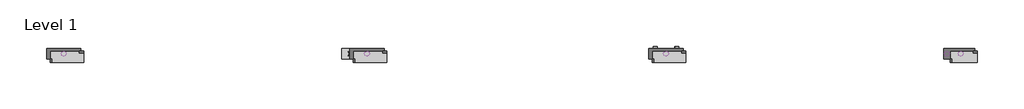
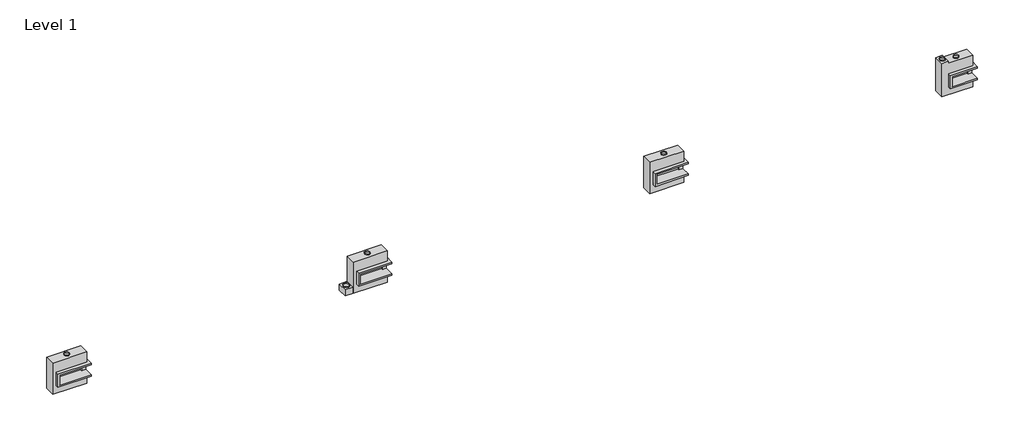
# One storey: 14 proxies.
"""IFC4 building model written with IfcOpenShell, lengths in millimetres."""

import ifcopenshell
import ifcopenshell.guid

model = None  # the IFC model being written
_history = None  # IfcOwnerHistory: only IFC2X3 demands one
_inside = {}  # id of a spatial element -> (the spatial element, [elements in it])
_under = {}  # id of a project, library or spatial element -> (it, [spatial elements below it])
_declared = {}  # id of a project -> (the project, [libraries it declares])
_typed = {}  # id of a type object -> (the type object, [elements of that type])
_made_of = {}  # id of a material, layer set ... -> (it, [elements and type objects made of it])


def new_model(schema):
    """Start an empty IFC model of exactly this schema.

    Asked for "IFC4X3", IfcOpenShell would pick the latest addendum, in which some entities
    have other attributes; the version numbers below select the first issue.
    IFC2X3 requires an IfcOwnerHistory on every rooted entity: one is made here for all.
    """
    global model, _history
    if schema == "IFC4X3":
        model = ifcopenshell.file(schema_version=(4, 3, 0, 0))
    else:
        model = ifcopenshell.file(schema=schema)
    _inside.clear()
    _under.clear()
    _declared.clear()
    _typed.clear()
    _made_of.clear()
    _history = None
    if model.schema == "IFC2X3":
        org = make("IfcOrganization", Name="unknown")
        user = make(
            "IfcPersonAndOrganization",
            ThePerson=make("IfcPerson", FamilyName="unknown"),
            TheOrganization=org,
        )
        app = make(
            "IfcApplication",
            ApplicationDeveloper=org,
            Version="unknown",
            ApplicationFullName="unknown",
            ApplicationIdentifier="unknown",
        )
        _history = make(
            "IfcOwnerHistory",
            OwningUser=user,
            OwningApplication=app,
            ChangeAction="ADDED",
            CreationDate=0,
        )
    return model


def make(cls, **values):
    """One entity of the class cls with the attributes given. An attribute that is None is left unset."""
    return model.create_entity(
        cls, **{name: value for name, value in values.items() if value is not None}
    )


def rooted(cls, **values):
    """An entity with a GlobalId (a new one), such as an element, a storey or a relation."""
    return make(cls, GlobalId=ifcopenshell.guid.new(), OwnerHistory=_history, **values)


def si_unit(unit_type, name, prefix=None):
    """IfcSIUnit, for example si_unit("LENGTHUNIT", "METRE", prefix="MILLI")."""
    return make("IfcSIUnit", UnitType=unit_type, Prefix=prefix, Name=name)


def assignment(units):
    """IfcUnitAssignment: the units of a project."""
    return None if units is None else make("IfcUnitAssignment", Units=units)


def point(xyz):
    """IfcCartesianPoint."""
    return None if xyz is None else make("IfcCartesianPoint", Coordinates=xyz)


def direction(xyz):
    """IfcDirection."""
    return None if xyz is None else make("IfcDirection", DirectionRatios=xyz)


def frame(location, z_axis=None, x_axis=None):
    """IfcAxis2Placement3D, a coordinate frame: its origin and axes. An axis left out is left unset."""
    return make(
        "IfcAxis2Placement3D",
        Location=point(location),
        Axis=direction(z_axis),
        RefDirection=direction(x_axis),
    )


def frame_2d(location, x_axis=None):
    """IfcAxis2Placement2D, a coordinate frame in the plane: its origin and x axis."""
    return make(
        "IfcAxis2Placement2D", Location=point(location), RefDirection=direction(x_axis)
    )


def origin():
    """The frame at (0, 0, 0) with its axes left unset."""
    return frame((0.0, 0.0, 0.0))


def origin_with_axes():
    """The frame at (0, 0, 0) with the z axis (0, 0, 1) and the x axis (1, 0, 0) written out."""
    return frame((0.0, 0.0, 0.0), z_axis=(0.0, 0.0, 1.0), x_axis=(1.0, 0.0, 0.0))


def origin_2d():
    """The frame at (0, 0) in the plane with its x axis left unset."""
    return frame_2d((0.0, 0.0))


def place(relative_to, where):
    """IfcLocalPlacement: puts the frame where relative to a parent placement (None: the world)."""
    return make(
        "IfcLocalPlacement", PlacementRelTo=relative_to, RelativePlacement=where
    )


def context(
    kind, dimensions, precision=None, world=None, true_north=None, identifier=None
):
    """IfcGeometricRepresentationContext, for example the 3D "Model" context."""
    return make(
        "IfcGeometricRepresentationContext",
        ContextIdentifier=identifier,
        ContextType=kind,
        CoordinateSpaceDimension=dimensions,
        Precision=precision,
        WorldCoordinateSystem=world,
        TrueNorth=true_north,
    )


def project(units=None, contexts=None):
    """IfcProject with its units and contexts."""
    return rooted(
        "IfcProject",
        Name="project",
        RepresentationContexts=contexts,
        UnitsInContext=assignment(units),
    )


def spatial(cls, under=None, at=None, **own):
    """A site, building, storey or space (cls), placed at a placement, below another one or the project."""
    s = rooted(cls, ObjectPlacement=at, **own)
    if under is not None:
        _under.setdefault(under.id(), (under, []))[1].append(s)
    return s


def polyline(points):
    """IfcPolyline through the points."""
    return make("IfcPolyline", Points=[point(p) for p in points])


def circle_curve(where, radius):
    """IfcCircle in the frame where."""
    return make("IfcCircle", Position=where, Radius=radius)


def trimmed(basis, trim1, trim2, sense, master):
    """IfcTrimmedCurve: the piece of a basis curve between two trims."""
    return make(
        "IfcTrimmedCurve",
        BasisCurve=basis,
        Trim1=trim1,
        Trim2=trim2,
        SenseAgreement=sense,
        MasterRepresentation=master,
    )


def segment(curve, same_sense, transition):
    """IfcCompositeCurveSegment."""
    return make(
        "IfcCompositeCurveSegment",
        Transition=transition,
        SameSense=same_sense,
        ParentCurve=curve,
    )


def composite_curve(segments, self_intersect=None):
    """IfcCompositeCurve: segments joined end to end."""
    return make("IfcCompositeCurve", Segments=segments, SelfIntersect=self_intersect)


def outline(outer, holes=None, kind="AREA"):
    """IfcArbitraryClosedProfileDef: a profile drawn as a closed curve; with holes, ...WithVoids."""
    if holes is None:
        return make("IfcArbitraryClosedProfileDef", ProfileType=kind, OuterCurve=outer)
    return make(
        "IfcArbitraryProfileDefWithVoids",
        ProfileType=kind,
        OuterCurve=outer,
        InnerCurves=holes,
    )


def extrude(swept, where, along, depth):
    """IfcExtrudedAreaSolid: the profile swept, set in the frame where, extruded along a direction by depth."""
    return make(
        "IfcExtrudedAreaSolid",
        SweptArea=swept,
        Position=where,
        ExtrudedDirection=direction(along),
        Depth=depth,
    )


def faces_of(points, faces, orient=None, outer=None):
    """IfcFace entities. A face is a list of loops; a loop is a list of indices into points, from 0.

    orient and outer hold one flag for each loop. By default every Orientation is true, the
    first loop of a face is its IfcFaceOuterBound and the others are IfcFaceBound.
    """
    made = []
    for i, loops in enumerate(faces):
        bounds = []
        for j, loop in enumerate(loops):
            is_outer = j == 0 if outer is None else outer[i][j]
            bounds.append(
                make(
                    "IfcFaceOuterBound" if is_outer else "IfcFaceBound",
                    Bound=make("IfcPolyLoop", Polygon=[points[k] for k in loop]),
                    Orientation=True if orient is None else orient[i][j],
                )
            )
        made.append(make("IfcFace", Bounds=bounds))
    return made


def faceted_brep(points, faces, orient=None, outer=None, voids=None):
    """IfcFacetedBrep: a solid bounded by flat faces; with voids (closed shells), ...WithVoids."""
    shared = [point(p) for p in points]
    hull = make("IfcClosedShell", CfsFaces=faces_of(shared, faces, orient, outer))
    if voids is None:
        return make("IfcFacetedBrep", Outer=hull)
    return make(
        "IfcFacetedBrepWithVoids",
        Outer=hull,
        Voids=[
            make(cls, CfsFaces=faces_of(shared, fs, o, b)) for cls, fs, o, b in voids
        ],
    )


def shape(context_of_items, identifier, shape_type, items):
    """IfcShapeRepresentation: the items that make up one representation, for example the "Body"."""
    return make(
        "IfcShapeRepresentation",
        ContextOfItems=context_of_items,
        RepresentationIdentifier=identifier,
        RepresentationType=shape_type,
        Items=items,
    )


def source(mapping_origin, context_of_items, identifier, shape_type, items):
    """IfcRepresentationMap: a shape defined once, which mapped items show again and again."""
    return make(
        "IfcRepresentationMap",
        MappingOrigin=mapping_origin,
        MappedRepresentation=shape(context_of_items, identifier, shape_type, items),
    )


def transform(
    local_origin,
    x_axis=None,
    y_axis=None,
    z_axis=None,
    scale=None,
    scale2=None,
    scale3=None,
    uniform=True,
):
    """IfcCartesianTransformationOperator3D, or its non-uniform kind. x_axis, y_axis, z_axis: its Axis1, 2, 3."""
    if uniform:
        return make(
            "IfcCartesianTransformationOperator3D",
            Axis1=direction(x_axis),
            Axis2=direction(y_axis),
            LocalOrigin=point(local_origin),
            Scale=scale,
            Axis3=direction(z_axis),
        )
    return make(
        "IfcCartesianTransformationOperator3DnonUniform",
        Axis1=direction(x_axis),
        Axis2=direction(y_axis),
        LocalOrigin=point(local_origin),
        Scale=scale,
        Axis3=direction(z_axis),
        Scale2=scale2,
        Scale3=scale3,
    )


def mapped(mapping_source, mapping_target):
    """IfcMappedItem: shows the shape of a source again, moved by a transform."""
    return make(
        "IfcMappedItem", MappingSource=mapping_source, MappingTarget=mapping_target
    )


def made_of(thing, what):
    """Note that an element or type object is made of a material, layer set ...; save() writes the relation."""
    if what is not None:
        _made_of.setdefault(what.id(), (what, []))[1].append(thing)
    return thing


def element(
    cls,
    number,
    at=None,
    inside=None,
    cuts=None,
    type_object=None,
    material=None,
    context=None,
    identifier="Body",
    shape_type=None,
    held_by="IfcProductDefinitionShape",
    body=None,
    shapes=None,
    **own,
):
    """One element of the class cls, such as IfcWall. Its Tag is "e" and its number.

    at: its placement. inside: the storey or other place that contains it. cuts: it is an
    opening in that element (IfcRelVoidsElement). A single representation is given by context,
    identifier, shape_type and body (its items); several are given by shapes. held_by: the class
    of the entity that holds the representations. save() writes the other relations.
    """
    e = rooted(cls, Tag="e%d" % number, ObjectPlacement=at, **own)
    if body is not None:
        shapes = [shape(context, identifier, shape_type, body)]
    if shapes is not None:
        e.Representation = make(held_by, Representations=shapes)
    if inside is not None:
        _inside.setdefault(inside.id(), (inside, []))[1].append(e)
    if cuts is not None:
        rooted(
            "IfcRelVoidsElement", RelatingBuildingElement=cuts, RelatedOpeningElement=e
        )
    if type_object is not None:
        _typed.setdefault(type_object.id(), (type_object, []))[1].append(e)
    return made_of(e, material)


def aggregate(whole, parts):
    """IfcRelAggregates: a whole, such as a stair, and the parts it consists of."""
    return rooted("IfcRelAggregates", RelatingObject=whole, RelatedObjects=parts)


def save(model, path):
    """Write the relations noted so far, then the file.

    IfcRelAggregates (storeys below a building ...), IfcRelContainedInSpatialStructure (elements
    in a storey), IfcRelDefinesByType, IfcRelAssociatesMaterial and IfcRelDeclares: one each for
    every whole, place, type object, material and project.
    """
    for whole, parts in _under.values():
        aggregate(whole, parts)
    for where, things in _inside.values():
        rooted(
            "IfcRelContainedInSpatialStructure",
            RelatedElements=things,
            RelatingStructure=where,
        )
    for kind, things in _typed.values():
        rooted("IfcRelDefinesByType", RelatedObjects=things, RelatingType=kind)
    for what, things in _made_of.values():
        rooted("IfcRelAssociatesMaterial", RelatedObjects=things, RelatingMaterial=what)
    for by, libraries in _declared.values():
        rooted("IfcRelDeclares", RelatingContext=by, RelatedDefinitions=libraries)
    model.write(path)


def as_specified_6a4a1a2e(model_context):
    return source(origin(), model_context, "Body", "Brep", [
        faceted_brep([(-654.05, 273.05, 139.7), (-654.05, 273.05, -393.7), (-654.05, 196.85, -393.7), (-654.05, 196.85, -25.4), (-654.05, -311.15, -25.4), (-654.05, -311.15, -393.7), (-654.05, -387.35, -393.7), (-654.05, -387.35, 139.7), (946.15, 196.85, 139.7), (946.15, 196.85, -317.5), (946.15, -311.15, -317.5), (946.15, -311.15, 139.7), (946.15, -387.35, 139.7), (946.15, -387.35, -393.7), (946.15, 273.05, -393.7), (946.15, 273.05, 139.7), (-577.85, -311.15, 139.7), (-577.85, 196.85, 139.7), (742.95, -311.15, -393.7), (742.95, 196.85, -393.7), (742.95, -311.15, -317.5), (-577.85, -311.15, -25.4), (742.95, 196.85, -317.5), (-577.85, 196.85, -25.4)], [[[0, 1, 2, 3, 4, 5, 6, 7]], [[8, 9, 10, 11, 12, 13, 14, 15]], [[0, 7, 12, 11, 16, 17, 8, 15]], [[1, 0, 15, 14]], [[14, 13, 6, 5, 18, 19, 2, 1]], [[7, 6, 13, 12]], [[11, 10, 20, 18, 5, 4, 21, 16]], [[10, 9, 22, 20]], [[9, 8, 17, 23, 3, 2, 19, 22]], [[18, 20, 22, 19]], [[23, 21, 4, 3]], [[17, 16, 21, 23]]]),
        faceted_brep([(-819.15, 793.75, -523.9742188), (819.15, 793.75, -523.9742188), (819.15, -793.75, -523.9742188), (-819.15, -793.75, -523.9742188), (819.15, 793.75, -25.4), (-819.15, 793.75, -25.4), (-819.15, -793.75, -25.4), (819.15, -793.75, -25.4), (819.15, -387.35, -25.4), (-654.05, -387.35, -25.4), (-654.05, 273.05, -25.4), (819.15, 273.05, -25.4), (819.15, 273.05, -393.7), (819.15, -387.35, -393.7), (-654.05, -387.35, -393.7), (-654.05, 273.05, -393.7)], [[[0, 1, 2, 3]], [[4, 5, 6, 7, 8, 9, 10, 11]], [[1, 0, 5, 4]], [[5, 0, 3, 6]], [[1, 4, 11, 12, 13, 8, 7, 2]], [[3, 2, 7, 6]], [[14, 15, 10, 9]], [[10, 15, 12, 11]], [[15, 14, 13, 12]], [[14, 9, 8, 13]]]),
    ])


def as_specified_77cc6f73(model_context):
    return source(origin(), model_context, "Body", "SolidModel", [
        extrude(outline(polyline([(-819.15, -793.75), (-1200.15, -793.75), (-1200.15, -488.95), (-819.15, -488.95), (-819.15, -793.75)])), frame((0.0, 0.0, -523.9742188), z_axis=(0.0, 0.0, 1.0), x_axis=(1.0, 0.0, 0.0)), (0.0, 0.0, 1.0), 498.5742187),
        faceted_brep([(-654.05, 273.05, 139.7), (-654.05, 273.05, -393.7), (-654.05, 196.85, -393.7), (-654.05, 196.85, -25.4), (-654.05, -311.15, -25.4), (-654.05, -311.15, -393.7), (-654.05, -387.35, -393.7), (-654.05, -387.35, 139.7), (946.15, 196.85, 139.7), (946.15, 196.85, -317.5), (946.15, -311.15, -317.5), (946.15, -311.15, 139.7), (946.15, -387.35, 139.7), (946.15, -387.35, -393.7), (946.15, 273.05, -393.7), (946.15, 273.05, 139.7), (-577.85, -311.15, 139.7), (-577.85, 196.85, 139.7), (742.95, -311.15, -393.7), (742.95, 196.85, -393.7), (742.95, -311.15, -317.5), (-577.85, -311.15, -25.4), (742.95, 196.85, -317.5), (-577.85, 196.85, -25.4)], [[[0, 1, 2, 3, 4, 5, 6, 7]], [[8, 9, 10, 11, 12, 13, 14, 15]], [[0, 7, 12, 11, 16, 17, 8, 15]], [[1, 0, 15, 14]], [[14, 13, 6, 5, 18, 19, 2, 1]], [[7, 6, 13, 12]], [[11, 10, 20, 18, 5, 4, 21, 16]], [[10, 9, 22, 20]], [[9, 8, 17, 23, 3, 2, 19, 22]], [[18, 20, 22, 19]], [[23, 21, 4, 3]], [[17, 16, 21, 23]]]),
        faceted_brep([(-819.15, 793.75, -523.9742188), (819.15, 793.75, -523.9742188), (819.15, -793.75, -523.9742188), (-819.15, -793.75, -523.9742188), (819.15, 793.75, -25.4), (-819.15, 793.75, -25.4), (-819.15, -793.75, -25.4), (819.15, -793.75, -25.4), (819.15, -387.35, -25.4), (-654.05, -387.35, -25.4), (-654.05, 273.05, -25.4), (819.15, 273.05, -25.4), (819.15, 273.05, -393.7), (819.15, -387.35, -393.7), (-654.05, -387.35, -393.7), (-654.05, 273.05, -393.7)], [[[0, 1, 2, 3]], [[4, 5, 6, 7, 8, 9, 10, 11]], [[1, 0, 5, 4]], [[5, 0, 3, 6]], [[1, 4, 11, 12, 13, 8, 7, 2]], [[3, 2, 7, 6]], [[14, 15, 10, 9]], [[10, 15, 12, 11]], [[15, 14, 13, 12]], [[14, 9, 8, 13]]]),
    ])


def as_specified_fd5b2798(model_context):
    return source(origin(), model_context, "Body", "Brep", [
        faceted_brep([(-501.65, 273.05, 139.7), (-501.65, 273.05, -393.7), (-501.65, 196.85, -393.7), (-501.65, 196.85, -25.4), (-501.65, -311.15, -25.4), (-501.65, -311.15, -393.7), (-501.65, -387.35, -393.7), (-501.65, -387.35, 139.7), (793.75, 196.85, 139.7), (793.75, 196.85, -317.5), (793.75, -311.15, -317.5), (793.75, -311.15, 139.7), (793.75, -387.35, 139.7), (793.75, -387.35, -393.7), (793.75, 273.05, -393.7), (793.75, 273.05, 139.7), (-425.45, -311.15, 139.7), (-425.45, 196.85, 139.7), (590.55, -311.15, -393.7), (590.55, 196.85, -393.7), (590.55, -311.15, -317.5), (-425.45, -311.15, -25.4), (590.55, 196.85, -317.5), (-425.45, 196.85, -25.4)], [[[0, 1, 2, 3, 4, 5, 6, 7]], [[8, 9, 10, 11, 12, 13, 14, 15]], [[0, 7, 12, 11, 16, 17, 8, 15]], [[1, 0, 15, 14]], [[14, 13, 6, 5, 18, 19, 2, 1]], [[7, 6, 13, 12]], [[11, 10, 20, 18, 5, 4, 21, 16]], [[10, 9, 22, 20]], [[9, 8, 17, 23, 3, 2, 19, 22]], [[18, 20, 22, 19]], [[23, 21, 4, 3]], [[17, 16, 21, 23]]]),
        faceted_brep([(666.75, -793.75, -523.9742188), (-819.15, -793.75, -523.9742188), (-819.15, 895.35, -523.9742188), (-501.65, 895.35, -523.9742188), (-501.65, 793.75, -523.9742188), (666.75, 793.75, -523.9742188), (-819.15, -793.75, -25.4), (666.75, -793.75, -25.4), (666.75, -387.35, -25.4), (-501.65, -387.35, -25.4), (-501.65, 273.05, -25.4), (666.75, 273.05, -25.4), (666.75, 793.75, -25.4), (-501.65, 793.75, -25.4), (-501.65, 895.35, -25.4), (-819.15, 895.35, -25.4), (666.75, 273.05, -393.7), (666.75, -387.35, -393.7), (-501.65, -387.35, -393.7), (-501.65, 273.05, -393.7)], [[[0, 1, 2, 3, 4, 5]], [[6, 7, 8, 9, 10, 11, 12, 13, 14, 15]], [[12, 5, 4, 13]], [[2, 1, 6, 15]], [[5, 12, 11, 16, 17, 8, 7, 0]], [[1, 0, 7, 6]], [[18, 19, 10, 9]], [[10, 19, 16, 11]], [[19, 18, 17, 16]], [[18, 9, 8, 17]], [[3, 2, 15, 14]], [[4, 3, 14, 13]]]),
    ])


def proxy_f96b1d40(model_context):
    return source(origin(), model_context, "Body", "SweptSolid", [
        extrude(outline(composite_curve([segment(trimmed(circle_curve(origin_2d(), 150.8125), [point((-150.8125, 0.0))], [point((150.8125, 0.0))], False, "CARTESIAN"), True, "CONTINUOUS"), segment(trimmed(circle_curve(origin_2d(), 150.8125), [point((150.8125, 0.0))], [point((-150.8125, 0.0))], False, "CARTESIAN"), True, "CONTINUOUS")], self_intersect=False), holes=[composite_curve([segment(trimmed(circle_curve(origin_2d(), 149.225), [point((-149.225, 0.0))], [point((149.225, 0.0))], True, "CARTESIAN"), True, "CONTINUOUS"), segment(trimmed(circle_curve(origin_2d(), 149.225), [point((149.225, 0.0))], [point((-149.225, 0.0))], True, "CARTESIAN"), True, "CONTINUOUS")], self_intersect=False)]), origin_with_axes(), (0.0, 0.0, 1.0), 50.8),
    ])


def proxy_5643af6b(model_context):
    return source(origin(), model_context, "Body", "SweptSolid", [
        extrude(outline(composite_curve([segment(trimmed(circle_curve(origin_2d(), 100.0125), [point((-100.0125, 0.0))], [point((100.0125, 0.0))], False, "CARTESIAN"), True, "CONTINUOUS"), segment(trimmed(circle_curve(origin_2d(), 100.0125), [point((100.0125, 0.0))], [point((-100.0125, 0.0))], False, "CARTESIAN"), True, "CONTINUOUS")], self_intersect=False), holes=[composite_curve([segment(trimmed(circle_curve(origin_2d(), 98.425), [point((-98.425, 0.0))], [point((98.425, 0.0))], True, "CARTESIAN"), True, "CONTINUOUS"), segment(trimmed(circle_curve(origin_2d(), 98.425), [point((98.425, 0.0))], [point((-98.425, 0.0))], True, "CARTESIAN"), True, "CONTINUOUS")], self_intersect=False)]), origin_with_axes(), (0.0, 0.0, 1.0), 101.6),
    ])


def proxy_c1ba4f62(model_context):
    return source(origin(), model_context, "Body", "SweptSolid", [
        extrude(outline(composite_curve([segment(trimmed(circle_curve(origin_2d(), 103.1875), [point((-103.1875, 0.0))], [point((103.1875, 0.0))], False, "CARTESIAN"), True, "CONTINUOUS"), segment(trimmed(circle_curve(origin_2d(), 103.1875), [point((103.1875, 0.0))], [point((-103.1875, 0.0))], False, "CARTESIAN"), True, "CONTINUOUS")], self_intersect=False), holes=[composite_curve([segment(trimmed(circle_curve(origin_2d(), 101.6), [point((-101.6, 0.0))], [point((101.6, 0.0))], True, "CARTESIAN"), True, "CONTINUOUS"), segment(trimmed(circle_curve(origin_2d(), 101.6), [point((101.6, 0.0))], [point((-101.6, 0.0))], True, "CARTESIAN"), True, "CONTINUOUS")], self_intersect=False)]), origin_with_axes(), (0.0, 0.0, 1.0), 6.35),
    ])


def proxy_2b585128(model_context):
    return source(origin(), model_context, "Body", "SweptSolid", [
        extrude(outline(composite_curve([segment(trimmed(circle_curve(origin_2d(), 123.825), [point((-123.825, 0.0))], [point((123.825, 0.0))], False, "CARTESIAN"), True, "CONTINUOUS"), segment(trimmed(circle_curve(origin_2d(), 123.825), [point((123.825, 0.0))], [point((-123.825, 0.0))], False, "CARTESIAN"), True, "CONTINUOUS")], self_intersect=False), holes=[composite_curve([segment(trimmed(circle_curve(origin_2d(), 122.2375), [point((-122.2375, 0.0))], [point((122.2375, 0.0))], True, "CARTESIAN"), True, "CONTINUOUS"), segment(trimmed(circle_curve(origin_2d(), 122.2375), [point((122.2375, 0.0))], [point((-122.2375, 0.0))], True, "CARTESIAN"), True, "CONTINUOUS")], self_intersect=False)]), origin_with_axes(), (0.0, 0.0, 1.0), 50.8),
    ])


def proxy_f04a25a4(model_context):
    return source(origin(), model_context, "Body", "SweptSolid", [
        extrude(outline(composite_curve([segment(trimmed(circle_curve(origin_2d(), 125.4125), [point((-125.4125, 0.0))], [point((125.4125, 0.0))], False, "CARTESIAN"), True, "CONTINUOUS"), segment(trimmed(circle_curve(origin_2d(), 125.4125), [point((125.4125, 0.0))], [point((-125.4125, 0.0))], False, "CARTESIAN"), True, "CONTINUOUS")], self_intersect=False), holes=[composite_curve([segment(trimmed(circle_curve(origin_2d(), 123.825), [point((-123.825, 0.0))], [point((123.825, 0.0))], True, "CARTESIAN"), True, "CONTINUOUS"), segment(trimmed(circle_curve(origin_2d(), 123.825), [point((123.825, 0.0))], [point((-123.825, 0.0))], True, "CARTESIAN"), True, "CONTINUOUS")], self_intersect=False)]), origin_with_axes(), (0.0, 0.0, 1.0), 50.8),
    ])


model = new_model("IFC4")

# Units and contexts
model_context = context("Model", 3, world=origin())
ifc_project = project(units=[si_unit("LENGTHUNIT", "METRE", prefix="MILLI")], contexts=[model_context])

# Site, building, storey
site = spatial("IfcSite", under=ifc_project)
building = spatial("IfcBuilding", under=site)
storey = spatial("IfcBuildingStorey", under=building, Name="Level 1", Elevation=0.0)

# Proxies
placement = place(None, origin())
as_specified_shape = as_specified_6a4a1a2e(model_context)
element("IfcBuildingElementProxy", 1, Name="As Specified", ObjectType="As Specified", at=placement, inside=storey, context=model_context, shape_type="MappedRepresentation", body=[
    mapped(as_specified_shape, transform((-13859.9425598, 1616.7712992, 1066.8), x_axis=(1.0, 0.0, 0.0), y_axis=(0.0, 0.0, 1.0), z_axis=(0.0, -1.0, 0.0))),
])
element("IfcBuildingElementProxy", 2, Name="As Specified", ObjectType="As Specified", at=placement, inside=storey, context=model_context, shape_type="MappedRepresentation", body=[
    mapped(as_specified_shape, transform((14791.2574402, 1616.7712992, 1219.2), x_axis=(1.0, 0.0, 0.0), y_axis=(0.0, 0.0, 1.0), z_axis=(0.0, -1.0, 0.0))),
])
as_specified_2_shape = as_specified_77cc6f73(model_context)
element("IfcBuildingElementProxy", 3, Name="As Specified", ObjectType="As Specified", at=placement, inside=storey, context=model_context, shape_type="MappedRepresentation", body=[
    mapped(as_specified_2_shape, transform((565.6597121, 1616.7712992, 1144.6311604), x_axis=(1.0, 0.0, 0.0), y_axis=(0.0, 0.0, 1.0), z_axis=(0.0, -1.0, 0.0))),
])
as_specified_3_shape = as_specified_fd5b2798(model_context)
element("IfcBuildingElementProxy", 4, Name="As Specified", ObjectType="As Specified", at=placement, inside=storey, context=model_context, shape_type="MappedRepresentation", body=[
    mapped(as_specified_3_shape, transform((28812.0574402, 1616.7712992, 1219.2), x_axis=(1.0, 0.0, 0.0), y_axis=(0.0, 0.0, 1.0), z_axis=(0.0, -1.0, 0.0))),
])
proxy_shape = proxy_f96b1d40(model_context)
element("IfcBuildingElementProxy", 5, Name="Duct Dia : 11 7/8\" Dia.", ObjectType="Duct Dia : 11 7/8\" Dia.", at=placement, inside=storey, context=model_context, shape_type="MappedRepresentation", body=[
    mapped(proxy_shape, transform((-443.9902879, 1891.4584086, 655.6811604), x_axis=(1.0, 0.0, 0.0), y_axis=(0.0, 1.0, 0.0), z_axis=(0.0, 0.0, 1.0))),
])
proxy_2_shape = proxy_5643af6b(model_context)
element("IfcBuildingElementProxy", 6, Name="Duct Dia : 7 7/8\" Dia", ObjectType="Duct Dia : 7 7/8\" Dia", at=placement, inside=storey, context=model_context, shape_type="MappedRepresentation", body=[
    mapped(proxy_2_shape, transform((15305.6074402, 2140.745518, 577.85), x_axis=(1.0, 0.0, 0.0), y_axis=(0.0, 0.0, -1.0), z_axis=(0.0, 1.0, 0.0))),
])
element("IfcBuildingElementProxy", 7, Name="Duct Dia : 7 7/8\" Dia", ObjectType="Duct Dia : 7 7/8\" Dia", at=placement, inside=storey, context=model_context, shape_type="MappedRepresentation", body=[
    mapped(proxy_2_shape, transform((14276.9074402, 2140.745518, 577.85), x_axis=(1.0, 0.0, 0.0), y_axis=(0.0, 0.0, -1.0), z_axis=(0.0, 1.0, 0.0))),
])
proxy_3_shape = proxy_c1ba4f62(model_context)
element("IfcBuildingElementProxy", 8, Name="Duct Dia : 8 1/8\" Dia", ObjectType="Duct Dia : 8 1/8\" Dia", at=placement, inside=storey, context=model_context, shape_type="MappedRepresentation", body=[
    mapped(proxy_3_shape, transform((-14374.2925598, 1891.4584086, 273.05), x_axis=(-1.0, 0.0, 0.0), y_axis=(0.0, 1.0, 0.0), z_axis=(0.0, 0.0, -1.0))),
])
element("IfcBuildingElementProxy", 9, Name="Duct Dia : 8 1/8\" Dia", ObjectType="Duct Dia : 8 1/8\" Dia", at=placement, inside=storey, context=model_context, shape_type="MappedRepresentation", body=[
    mapped(proxy_3_shape, transform((-13345.5925598, 1891.4584086, 273.05), x_axis=(1.0, 0.0, 0.0), y_axis=(0.0, -1.0, 0.0), z_axis=(0.0, 0.0, -1.0))),
])
proxy_4_shape = proxy_2b585128(model_context)
element("IfcBuildingElementProxy", 10, Name="Duct Dia : 9 3/4\" Dia.", ObjectType="Duct Dia : 9 3/4\" Dia.", at=placement, inside=storey, context=model_context, shape_type="MappedRepresentation", body=[
    mapped(proxy_4_shape, transform((-13859.9425598, 1891.4584086, 1860.55), x_axis=(1.0, 0.0, 0.0), y_axis=(0.0, 1.0, 0.0), z_axis=(0.0, 0.0, 1.0))),
])
element("IfcBuildingElementProxy", 11, Name="Duct Dia : 9 3/4\" Dia.", ObjectType="Duct Dia : 9 3/4\" Dia.", at=placement, inside=storey, context=model_context, shape_type="MappedRepresentation", body=[
    mapped(proxy_4_shape, transform((565.6597121, 1891.4584086, 1938.3811604), x_axis=(1.0, 0.0, 0.0), y_axis=(0.0, 1.0, 0.0), z_axis=(0.0, 0.0, 1.0))),
])
element("IfcBuildingElementProxy", 12, Name="Duct Dia : 9 3/4\" Dia.", ObjectType="Duct Dia : 9 3/4\" Dia.", at=placement, inside=storey, context=model_context, shape_type="MappedRepresentation", body=[
    mapped(proxy_4_shape, transform((14791.2574402, 1891.4584086, 2012.95), x_axis=(1.0, 0.0, 0.0), y_axis=(0.0, 1.0, 0.0), z_axis=(0.0, 0.0, 1.0))),
])
element("IfcBuildingElementProxy", 13, Name="Duct Dia : 9 3/4\" Dia.", ObjectType="Duct Dia : 9 3/4\" Dia.", at=placement, inside=storey, context=model_context, shape_type="MappedRepresentation", body=[
    mapped(proxy_4_shape, transform((28812.0574402, 1891.4584086, 2012.95), x_axis=(1.0, 0.0, 0.0), y_axis=(0.0, 1.0, 0.0), z_axis=(0.0, 0.0, 1.0))),
])
proxy_5_shape = proxy_f04a25a4(model_context)
element("IfcBuildingElementProxy", 14, Name="Duct Dia : 9 7/8\" Dia.", ObjectType="Duct Dia : 9 7/8\" Dia.", at=placement, inside=storey, context=model_context, shape_type="MappedRepresentation", body=[
    mapped(proxy_5_shape, transform((28151.6574402, 1891.4584086, 2114.55), x_axis=(1.0, 0.0, 0.0), y_axis=(0.0, 1.0, 0.0), z_axis=(0.0, 0.0, 1.0))),
])

save(model, "model.ifc")
